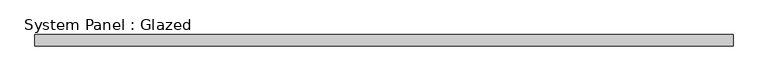
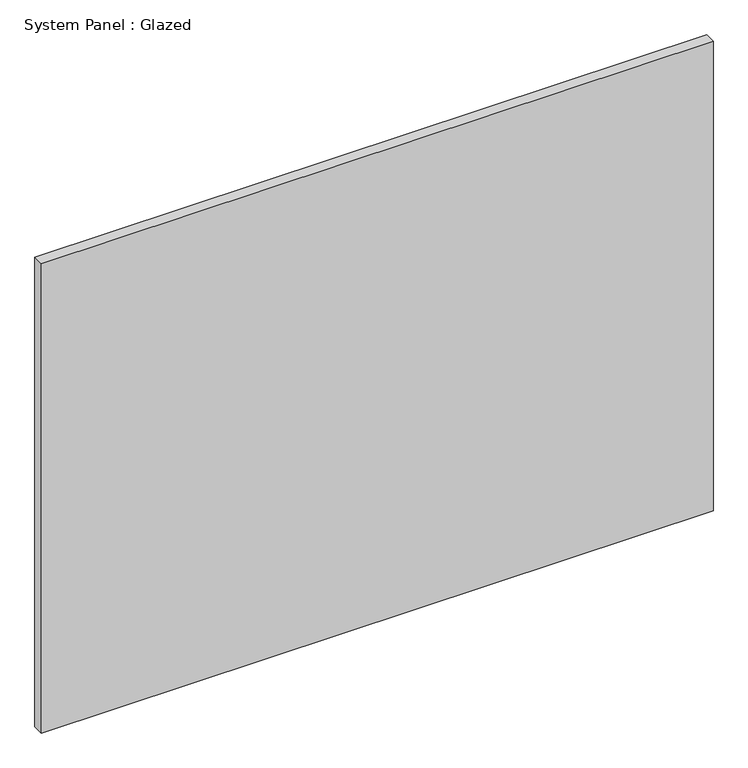
"""IFC4 building model written with IfcOpenShell, lengths in millimetres: plate geometry, System Panel : Glazed."""

from ifc_helpers import new_model, si_unit, origin, origin_with_axes, place, context, project, spatial, polyline, outline, extrude, source, transform, mapped, element, save


def system_panel_glazed_9ad45e98(model_context):
    return source(origin(), model_context, "Body", "SweptSolid", [
        extrude(outline(polyline([(777.875, -12.7), (-777.875, -12.7), (-777.875, 12.7), (777.875, 12.7), (777.875, -12.7)])), origin_with_axes(), (0.0, 0.0, 1.0), 1149.35),
    ])


if __name__ == "__main__":
    model = new_model("IFC4")
    model_context = context("Model", 3, world=origin())
    ifc_project = project(units=[si_unit("LENGTHUNIT", "METRE", prefix="MILLI")], contexts=[model_context])
    site = spatial("IfcSite", under=ifc_project)
    building = spatial("IfcBuilding", under=site)
    placement = place(None, origin())
    system_panel_glazed_shape = system_panel_glazed_9ad45e98(model_context)
    element("IfcPlate", 1, ObjectType="System Panel : Glazed", at=placement, inside=building, context=model_context, shape_type="MappedRepresentation", body=[
        mapped(system_panel_glazed_shape, transform((0.0, 0.0, 0.0), x_axis=(1.0, 0.0, 0.0), y_axis=(0.0, 1.0, 0.0), z_axis=(0.0, 0.0, 1.0))),
    ])
    save(model, "model.ifc")
